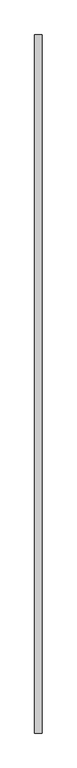
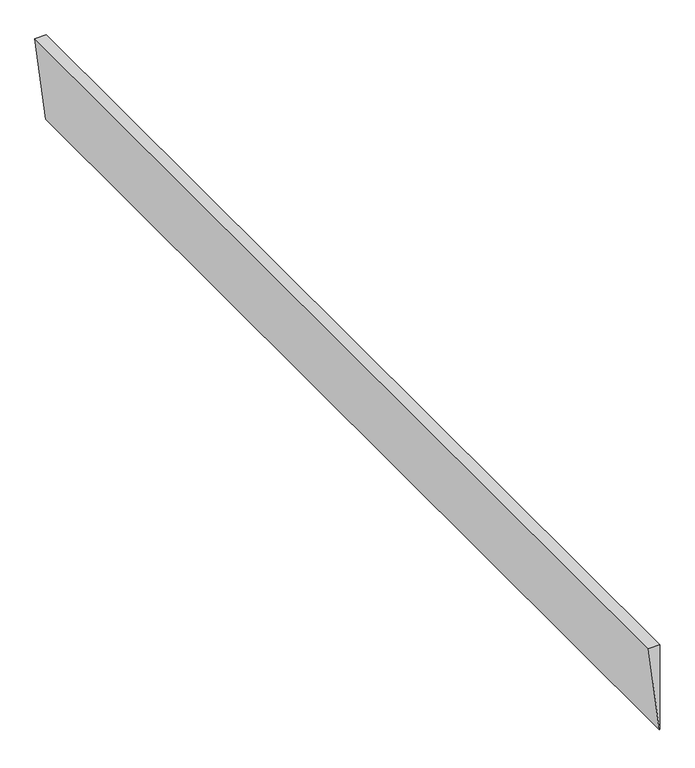
"""IFC4 building model written with IfcOpenShell, lengths in millimetres: proxy geometry."""

from ifc_helpers import new_model, si_unit, frame, origin, place, context, project, spatial, polyline, outline, extrude, source, transform, mapped, element, save


def generic_models_71041c36(model_context):
    return source(origin(), model_context, "Body", "SweptSolid", [
        extrude(outline(polyline([(-399.396022, 738.5189656), (-235.086121, 738.5189656), (-235.086121, 717.7770761), (-399.396022, 737.4458542), (-399.396022, 738.5189656)])), frame((0.0, 38674.2047634, 0.0), z_axis=(0.0, 1.0, 0.0), x_axis=(0.0, 0.0, 1.0)), (0.0, 0.0, 1.0), 1959.0737627),
    ])


if __name__ == "__main__":
    model = new_model("IFC4")
    model_context = context("Model", 3, world=origin())
    ifc_project = project(units=[si_unit("LENGTHUNIT", "METRE", prefix="MILLI")], contexts=[model_context])
    site = spatial("IfcSite", under=ifc_project)
    building = spatial("IfcBuilding", under=site)
    placement = place(None, origin())
    generic_models_shape = generic_models_71041c36(model_context)
    element("IfcBuildingElementProxy", 1, Name="Generic Models", at=placement, inside=building, context=model_context, shape_type="MappedRepresentation", body=[
        mapped(generic_models_shape, transform((0.0, 0.0, 0.0), x_axis=(1.0, 0.0, 0.0), y_axis=(0.0, 1.0, 0.0), z_axis=(0.0, 0.0, 1.0))),
    ])
    save(model, "model.ifc")
